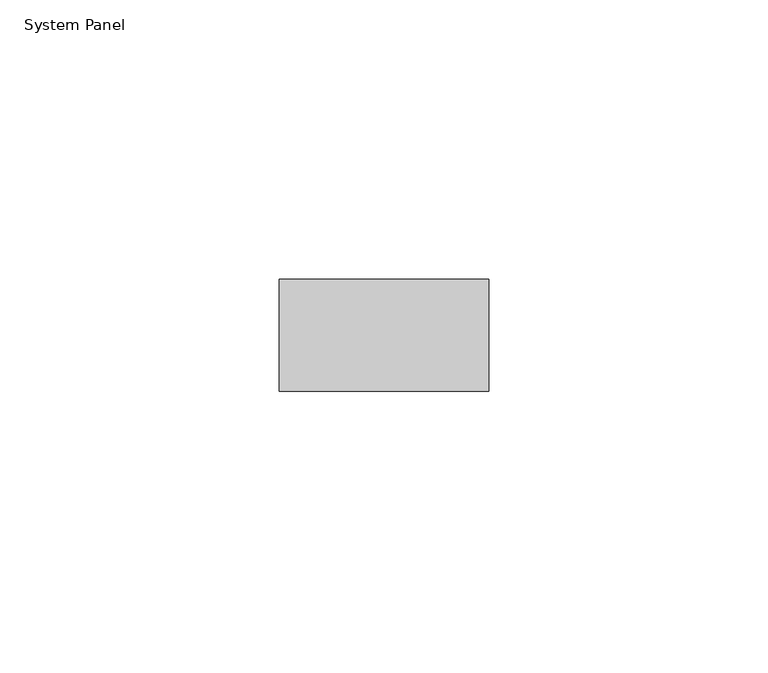
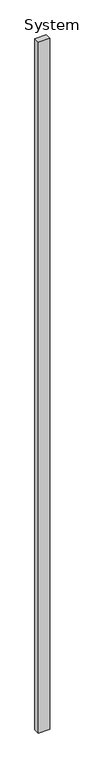
"""IFC4 building model written with IfcOpenShell, lengths in millimetres: plate geometry, System Panel."""

from ifc_helpers import new_model, si_unit, origin, origin_with_axes, place, context, project, spatial, polyline, outline, extrude, source, transform, mapped, element, save


def system_panel_b3bb36e7(model_context):
    return source(origin(), model_context, "Body", "SweptSolid", [
        extrude(outline(polyline([(18.7449927, -10.0), (-18.7449927, -10.0), (-18.7449927, 10.0), (18.7449927, 10.0), (18.7449927, -10.0)])), origin_with_axes(), (0.0, 0.0, 1.0), 2400.0),
    ])


if __name__ == "__main__":
    model = new_model("IFC4")
    model_context = context("Model", 3, world=origin())
    ifc_project = project(units=[si_unit("LENGTHUNIT", "METRE", prefix="MILLI")], contexts=[model_context])
    site = spatial("IfcSite", under=ifc_project)
    building = spatial("IfcBuilding", under=site)
    placement = place(None, origin())
    system_panel_shape = system_panel_b3bb36e7(model_context)
    element("IfcPlate", 1, ObjectType="System Panel", at=placement, inside=building, context=model_context, shape_type="MappedRepresentation", body=[
        mapped(system_panel_shape, transform((0.0, 0.0, 0.0), x_axis=(1.0, 0.0, 0.0), y_axis=(0.0, 1.0, 0.0), z_axis=(0.0, 0.0, 1.0))),
    ])
    save(model, "model.ifc")
